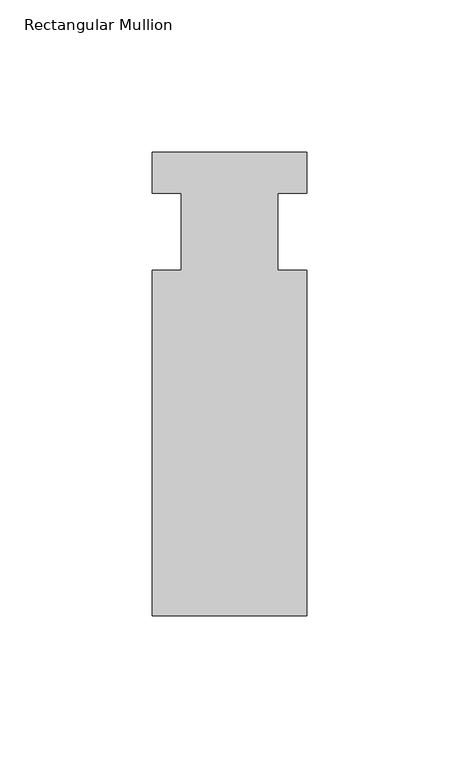
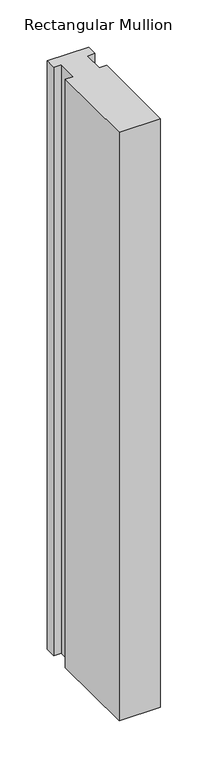
"""IFC4 building model written with IfcOpenShell, lengths in millimetres: member geometry, Rectangular Mullion."""

from ifc_helpers import new_model, si_unit, frame, origin, place, context, project, spatial, polyline, outline, extrude, source, transform, mapped, element, save


def rectangular_mullion_97a873d1(model_context):
    return source(origin(), model_context, "Body", "SweptSolid", [
        extrude(outline(polyline([(-25.4, 26.19375), (25.4, 26.19375), (25.4, 12.7), (15.875, 12.7), (15.875, -12.7), (25.4, -12.7), (25.4, -126.20625), (-25.4, -126.20625), (-25.4, -12.7), (-15.875, -12.7), (-15.875, 12.7), (-25.4, 12.7), (-25.4, 26.19375)])), frame((0.0, 0.0, -762.0), z_axis=(0.0, 0.0, 1.0), x_axis=(1.0, 0.0, 0.0)), (0.0, 0.0, 1.0), 762.0),
    ])


if __name__ == "__main__":
    model = new_model("IFC4")
    model_context = context("Model", 3, world=origin())
    ifc_project = project(units=[si_unit("LENGTHUNIT", "METRE", prefix="MILLI")], contexts=[model_context])
    site = spatial("IfcSite", under=ifc_project)
    building = spatial("IfcBuilding", under=site)
    placement = place(None, origin())
    rectangular_mullion_shape = rectangular_mullion_97a873d1(model_context)
    element("IfcMember", 1, ObjectType="Rectangular Mullion", at=placement, inside=building, context=model_context, shape_type="MappedRepresentation", body=[
        mapped(rectangular_mullion_shape, transform((0.0, 0.0, 0.0), x_axis=(1.0, 0.0, 0.0), y_axis=(0.0, 1.0, 0.0), z_axis=(0.0, 0.0, 1.0))),
    ])
    save(model, "model.ifc")
